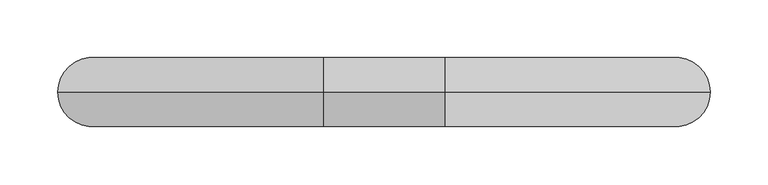
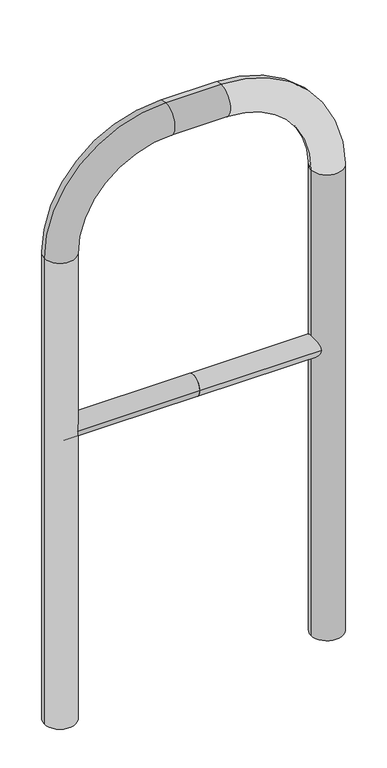
"""IFC4 building model written with IfcOpenShell, lengths in millimetres: proxy geometry."""

from ifc_helpers import new_model, si_unit, point, frame, frame_2d, origin, place, context, project, spatial, circle_curve, ellipse_curve, trimmed, segment, composite_curve, outline, extrude, source, transform, mapped, element, save
from ifc_brep_helpers import plane_surface, cylinder_surface, revolved_surface, advanced_brep


def generic_models_11abe303(model_context):
    return source(origin(), model_context, "Body", "SolidModel", [
        extrude(outline(composite_curve([segment(trimmed(circle_curve(frame_2d((0.0, 498.4778375)), 20.0), [point((20.0, 498.4778375))], [point((-20.0, 498.4778375))], False, "CARTESIAN"), True, "CONTINUOUS"), segment(trimmed(circle_curve(frame_2d((0.0, 498.4778375)), 20.0), [point((-20.0, 498.4778375))], [point((20.0, 498.4778375))], False, "CARTESIAN"), True, "CONTINUOUS")], self_intersect=False)), frame((-252.4579295, 0.0, 0.0), z_axis=(1.0, 0.0, 0.0), x_axis=(0.0, 1.0, 0.0)), (0.0, 0.0, 1.0), 252.4579295),
        extrude(outline(composite_curve([segment(trimmed(circle_curve(frame_2d((0.0, 498.4778375)), 20.0), [point((20.0, 498.4778375))], [point((-20.0, 498.4778375))], False, "CARTESIAN"), True, "CONTINUOUS"), segment(trimmed(circle_curve(frame_2d((0.0, 498.4778375)), 20.0), [point((-20.0, 498.4778375))], [point((20.0, 498.4778375))], False, "CARTESIAN"), True, "CONTINUOUS")], self_intersect=False)), frame((0.0, 0.0, 0.0), z_axis=(1.0, 0.0, 0.0), x_axis=(0.0, 1.0, 0.0)), (0.0, 0.0, 1.0), 252.4579295),
        advanced_brep(
        [(-222.4579295, 0.0, -80.0), (-282.4579295, 0.0, -80.0), (-282.4579295, 0.0, 850.0), (-222.4579295, 0.0, 850.0), (-52.4579295, 0.0, 1080.0), (-52.4579295, 0.0, 1020.0), (52.4579295, 0.0, 1080.0), (52.4579295, 0.0, 1020.0), (282.4579295, 0.0, 850.0), (222.4579295, 0.0, 850.0), (222.4579295, 0.0, -80.0), (282.4579295, 0.0, -80.0)],
        [
            (0, 1, circle_curve(frame((-252.4579295, 0.0, -80.0), z_axis=(0.0, 0.0, -1.0), x_axis=(-1.0, 0.0, 0.0)), 30.0)),
            (1, 0, circle_curve(frame((-252.4579295, 0.0, -80.0), z_axis=(0.0, 0.0, -1.0), x_axis=(-1.0, 0.0, 0.0)), 30.0)),
            (1, 2),
            (2, 3, circle_curve(frame((-252.4579295, 0.0, 850.0), z_axis=(0.0, 0.0, -1.0), x_axis=(-1.0, 0.0, 0.0)), 30.0)),
            (3, 0),
            (3, 2, circle_curve(frame((-252.4579295, 0.0, 850.0), z_axis=(0.0, 0.0, -1.0), x_axis=(-1.0, 0.0, 0.0)), 30.0)),
            (4, 5, circle_curve(frame((-52.4579295, 0.0, 1050.0), z_axis=(-1.0, 0.0, 0.0), x_axis=(0.0, 0.0, 1.0)), 30.0)),
            (5, 3, circle_curve(frame((-52.4579295, 0.0, 850.0), z_axis=(0.0, -1.0, 0.0), x_axis=(-1.0, 0.0, 0.0)), 170.0)),
            (2, 4, circle_curve(frame((-52.4579295, 0.0, 850.0), z_axis=(0.0, 1.0, 0.0), x_axis=(-1.0, 0.0, 0.0)), 230.0)),
            (5, 4, circle_curve(frame((-52.4579295, 0.0, 1050.0), z_axis=(-1.0, 0.0, 0.0), x_axis=(0.0, 0.0, 1.0)), 30.0)),
            (4, 6),
            (6, 7, circle_curve(frame((52.4579295, 0.0, 1050.0), z_axis=(-1.0, 0.0, 0.0), x_axis=(0.0, 0.0, 1.0)), 30.0)),
            (7, 5),
            (7, 6, circle_curve(frame((52.4579295, 0.0, 1050.0), z_axis=(-1.0, 0.0, 0.0), x_axis=(0.0, 0.0, 1.0)), 30.0)),
            (8, 9, circle_curve(frame((252.4579295, 0.0, 850.0), z_axis=(0.0, 0.0, 1.0), x_axis=(1.0, 0.0, 0.0)), 30.0)),
            (9, 7, circle_curve(frame((52.4579295, 0.0, 850.0), z_axis=(0.0, -1.0, 0.0), x_axis=(0.0, 0.0, 1.0)), 170.0)),
            (6, 8, circle_curve(frame((52.4579295, 0.0, 850.0), z_axis=(0.0, 1.0, 0.0), x_axis=(0.0, 0.0, 1.0)), 230.0)),
            (9, 8, circle_curve(frame((252.4579295, 0.0, 850.0), z_axis=(0.0, 0.0, 1.0), x_axis=(1.0, 0.0, 0.0)), 30.0)),
            (10, 11, circle_curve(frame((252.4579295, 0.0, -80.0), z_axis=(0.0, 0.0, -1.0), x_axis=(1.0, 0.0, 0.0)), 30.0)),
            (11, 10, circle_curve(frame((252.4579295, 0.0, -80.0), z_axis=(0.0, 0.0, -1.0), x_axis=(1.0, 0.0, 0.0)), 30.0)),
            (8, 11),
            (10, 9),
        ],
        [
            plane_surface(frame((-252.4579295, 0.0, -80.0), z_axis=(0.0, 0.0, -1.0), x_axis=(0.0, 1.0, 0.0))),
            cylinder_surface(frame((-252.4579295, 0.0, -80.0), z_axis=(0.0, 0.0, -1.0), x_axis=(-1.0, 0.0, 0.0)), 30.0),
            revolved_surface(trimmed(ellipse_curve(frame((-252.4579295, 0.0, 850.0), z_axis=(0.0, 0.0, 1.0), x_axis=(-1.0, 0.0, 0.0)), 30.0, 30.0), [point((-222.4579295, 0.0, 850.0))], [point((-282.4579295, 0.0, 850.0))], True, "CARTESIAN"), (-52.4579295, 0.0, 850.0), (0.0, -1.0, 0.0)),
            revolved_surface(trimmed(ellipse_curve(frame((-252.4579295, 0.0, 850.0), z_axis=(0.0, 0.0, 1.0), x_axis=(-1.0, 0.0, 0.0)), 30.0, 30.0), [point((-282.4579295, 0.0, 850.0))], [point((-222.4579295, 0.0, 850.0))], True, "CARTESIAN"), (-52.4579295, 0.0, 850.0), (0.0, -1.0, 0.0)),
            cylinder_surface(frame((-52.4579295, 0.0, 1050.0), z_axis=(-1.0, 0.0, 0.0), x_axis=(0.0, 0.0, 1.0)), 30.0),
            revolved_surface(trimmed(ellipse_curve(frame((52.4579295, 0.0, 1050.0), z_axis=(1.0, 0.0, 0.0), x_axis=(0.0, 0.0, 1.0)), 30.0, 30.0), [point((52.4579295, 0.0, 1020.0))], [point((52.4579295, 0.0, 1080.0))], True, "CARTESIAN"), (52.4579295, 0.0, 850.0), (0.0, -1.0, 0.0)),
            revolved_surface(trimmed(ellipse_curve(frame((52.4579295, 0.0, 1050.0), z_axis=(1.0, 0.0, 0.0), x_axis=(0.0, 0.0, 1.0)), 30.0, 30.0), [point((52.4579295, 0.0, 1080.0))], [point((52.4579295, 0.0, 1020.0))], True, "CARTESIAN"), (52.4579295, 0.0, 850.0), (0.0, -1.0, 0.0)),
            plane_surface(frame((252.4579295, 0.0, -80.0), z_axis=(0.0, 0.0, -1.0), x_axis=(0.0, 1.0, 0.0))),
            cylinder_surface(frame((252.4579295, 0.0, 850.0), z_axis=(0.0, 0.0, 1.0), x_axis=(1.0, 0.0, 0.0)), 30.0),
        ],
        [
            (0, [[1, 2]]),
            (1, [[3, 4, 5, -2]]),
            (1, [[-5, 6, -3, -1]]),
            (2, [[7, 8, -4, 9]]),
            (3, [[10, -9, -6, -8]]),
            (4, [[11, 12, 13, -7]]),
            (4, [[-13, 14, -11, -10]]),
            (5, [[15, 16, -12, 17]]),
            (6, [[18, -17, -14, -16]]),
            (7, [[19, 20]]),
            (8, [[21, -19, 22, -15]]),
            (8, [[-22, -20, -21, -18]]),
        ],
    ),
    ])


if __name__ == "__main__":
    model = new_model("IFC4")
    model_context = context("Model", 3, world=origin())
    ifc_project = project(units=[si_unit("LENGTHUNIT", "METRE", prefix="MILLI")], contexts=[model_context])
    site = spatial("IfcSite", under=ifc_project)
    building = spatial("IfcBuilding", under=site)
    placement = place(None, origin())
    generic_models_shape = generic_models_11abe303(model_context)
    element("IfcBuildingElementProxy", 1, Name="Generic Models", at=placement, inside=building, context=model_context, shape_type="MappedRepresentation", body=[
        mapped(generic_models_shape, transform((0.0, 0.0, 0.0), x_axis=(1.0, 0.0, 0.0), y_axis=(0.0, 1.0, 0.0), z_axis=(0.0, 0.0, 1.0))),
    ])
    save(model, "model.ifc")
